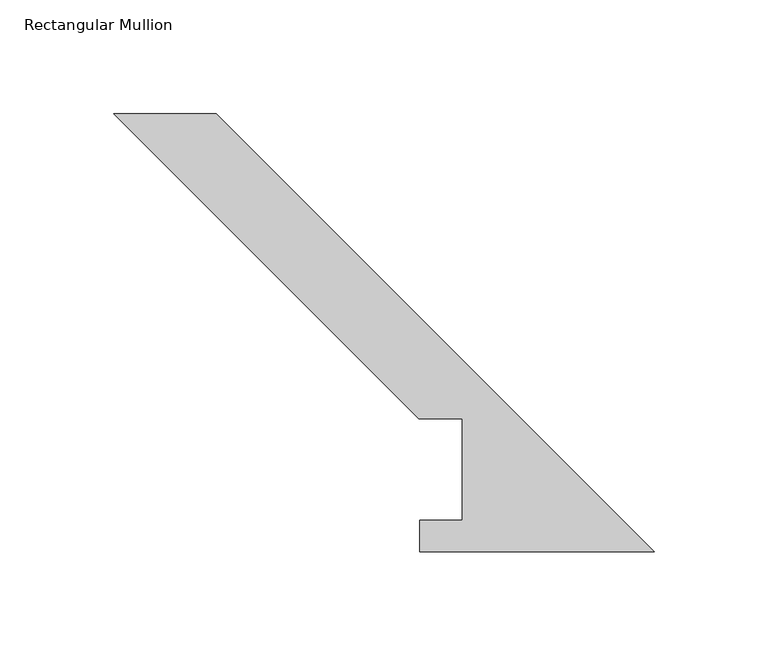
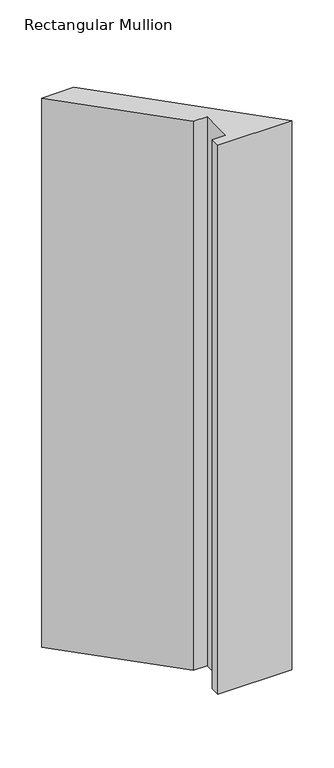
"""IFC4 building model written with IfcOpenShell, lengths in millimetres: member geometry, Rectangular Mullion."""

from ifc_helpers import new_model, si_unit, frame, origin, place, context, project, spatial, polyline, outline, extrude, source, transform, mapped, element, save


def rectangular_mullion_83b5e39b(model_context):
    return source(origin(), model_context, "Body", "SweptSolid", [
        extrude(outline(polyline([(-236.9958475, 192.0807432), (-192.0945669, 192.0807432), (0.0, -0.0138237), (-102.8720048, -0.0138237), (-102.8720048, 13.890625), (-84.2057293, 13.890625), (-84.2057293, 58.340625), (-103.2557293, 58.340625), (-236.9958475, 192.0807432)])), frame((0.0, 0.0, -806.45), z_axis=(0.0, 0.0, 1.0), x_axis=(1.0, 0.0, 0.0)), (0.0, 0.0, 1.0), 806.45),
    ])


if __name__ == "__main__":
    model = new_model("IFC4")
    model_context = context("Model", 3, world=origin())
    ifc_project = project(units=[si_unit("LENGTHUNIT", "METRE", prefix="MILLI")], contexts=[model_context])
    site = spatial("IfcSite", under=ifc_project)
    building = spatial("IfcBuilding", under=site)
    placement = place(None, origin())
    rectangular_mullion_shape = rectangular_mullion_83b5e39b(model_context)
    element("IfcMember", 1, ObjectType="Rectangular Mullion", at=placement, inside=building, context=model_context, shape_type="MappedRepresentation", body=[
        mapped(rectangular_mullion_shape, transform((0.0, 0.0, 0.0), x_axis=(1.0, 0.0, 0.0), y_axis=(0.0, 1.0, 0.0), z_axis=(0.0, 0.0, 1.0))),
    ])
    save(model, "model.ifc")
